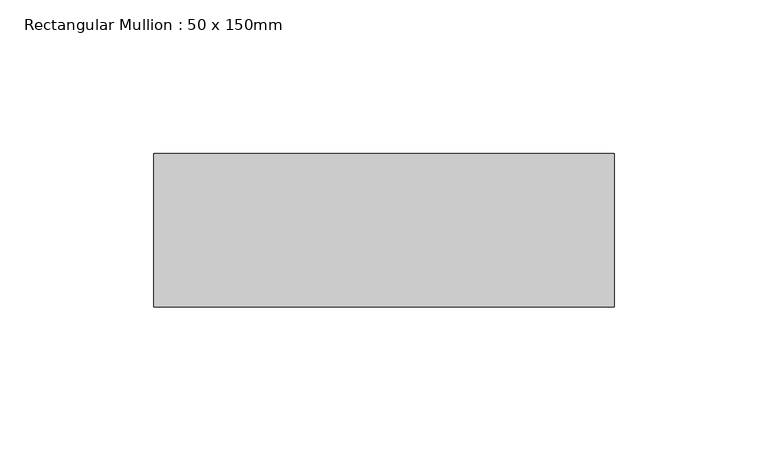
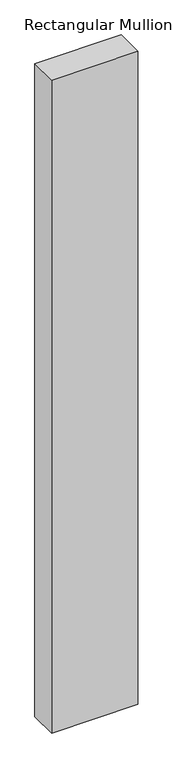
"""IFC4 building model written with IfcOpenShell, lengths in millimetres: member geometry, Rectangular Mullion : 50 x 150mm."""

from ifc_helpers import new_model, si_unit, frame, origin, place, context, project, spatial, polyline, outline, extrude, source, transform, mapped, element, save


def rectangular_mullion_50_x_150mm_4bdd9fbe(model_context):
    return source(origin(), model_context, "Body", "SweptSolid", [
        extrude(outline(polyline([(150.0, 50.0), (150.0, 0.0), (0.0, 0.0), (0.0, 50.0), (150.0, 50.0)])), frame((0.0, 0.0, -1198.2), z_axis=(0.0, 0.0, 1.0), x_axis=(1.0, 0.0, 0.0)), (0.0, 0.0, 1.0), 1198.2),
    ])


if __name__ == "__main__":
    model = new_model("IFC4")
    model_context = context("Model", 3, world=origin())
    ifc_project = project(units=[si_unit("LENGTHUNIT", "METRE", prefix="MILLI")], contexts=[model_context])
    site = spatial("IfcSite", under=ifc_project)
    building = spatial("IfcBuilding", under=site)
    placement = place(None, origin())
    rectangular_mullion_50_x_150mm_shape = rectangular_mullion_50_x_150mm_4bdd9fbe(model_context)
    element("IfcMember", 1, ObjectType="Rectangular Mullion : 50 x 150mm", at=placement, inside=building, context=model_context, shape_type="MappedRepresentation", body=[
        mapped(rectangular_mullion_50_x_150mm_shape, transform((0.0, 0.0, 0.0), x_axis=(1.0, 0.0, 0.0), y_axis=(0.0, 1.0, 0.0), z_axis=(0.0, 0.0, 1.0))),
    ])
    save(model, "model.ifc")
